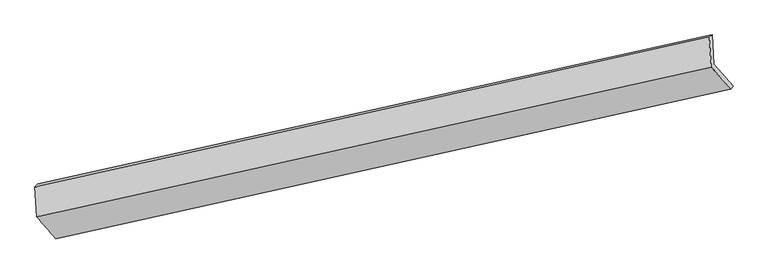
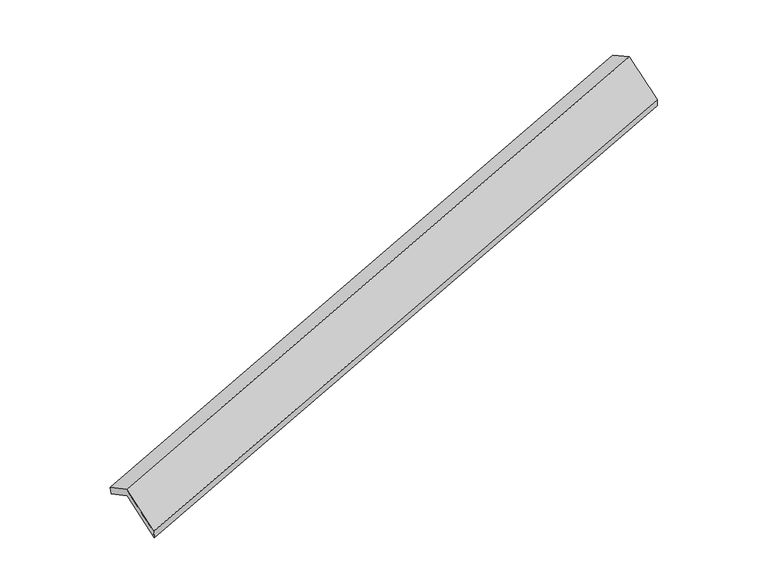
"""IFC4 building model written with IfcOpenShell, lengths in millimetres: proxy geometry."""

from ifc_helpers import new_model, si_unit, frame, origin, place, context, project, spatial, source, transform, mapped, element, save
from ifc_brep_helpers import plane_surface, spline_surface, advanced_brep


def generic_models_4485b027(model_context):
    return source(origin(), model_context, "Body", "AdvancedBrep", [
        advanced_brep(
        [(-7532.9796645, -2546.9027626, 709.9990895), (-7558.5713553, -2139.2339471, 501.4299983), (1666.0391537, -95.0097105, 3347.1114696), (1691.0728527, -493.7898644, 3551.1329967), (-7595.1323153, -2180.0101576, 649.3142042), (1627.7840062, -118.1367728, 3485.7209629), (-7569.5406245, -2587.6789731, 857.8832954), (1653.9336888, -534.69425, 3698.8376183), (-7312.0967112, -2888.9161433, 237.4969064), (1919.600753, -840.5582945, 3068.3985568), (-7275.5357512, -2848.1399328, 89.6127005), (1953.1948055, -795.5724016, 2929.1066329)],
        [
            (0, 1),
            (1, 2),
            (2, 3),
            (3, 0),
            (1, 4),
            (4, 5),
            (5, 2),
            (4, 6),
            (6, 7),
            (7, 5),
            (6, 8),
            (8, 9),
            (9, 7),
            (8, 10),
            (10, 11),
            (11, 9),
            (10, 0),
            (3, 11),
        ],
        [
            plane_surface(frame((-7545.7755099, -2343.0683548, 605.7145439), z_axis=(0.3505455672783525, -0.40903073575310234, -0.842503212142704), x_axis=(-0.055799185864261615, 0.8888661633711655, -0.454756412237046))),
            spline_surface(1, 1, [[(-7558.5713553, -2139.2339471, 501.4299983), (1666.0391537, -95.0097105, 3347.1114696)], [(-7595.1323153, -2180.0101576, 649.3142042), (1627.7840062, -118.1367728, 3485.7209629)]], [2, 2], [2, 2], [0.0, 1.0], [0.0, 1.0]),
            plane_surface(frame((-7582.3364699, -2383.8445654, 753.5987498), z_axis=(-0.3505454686421064, 0.40903075753217893, 0.8425032426092721), x_axis=(0.05579918586430003, -0.8888661633711596, 0.4547564122370529))),
            spline_surface(1, 1, [[(-7569.5406245, -2587.6789731, 857.8832954), (1653.9336888, -534.69425, 3698.8376183)], [(-7312.0967112, -2888.9161433, 237.4969064), (1919.600753, -840.5582945, 3068.3985568)]], [2, 2], [2, 2], [0.0, 1.0], [0.0, 1.0]),
            spline_surface(1, 1, [[(-7312.0967112, -2888.9161433, 237.4969064), (1919.600753, -840.5582945, 3068.3985568)], [(-7275.5357512, -2848.1399328, 89.6127005), (1953.1948055, -795.5724016, 2929.1066329)]], [2, 2], [2, 2], [0.0, 1.0], [0.0, 1.0]),
            spline_surface(1, 1, [[(-7275.5357512, -2848.1399328, 89.6127005), (1953.1948055, -795.5724016, 2929.1066329)], [(-7532.9796645, -2546.9027626, 709.9990895), (1691.0728527, -493.7898644, 3551.1329967)]], [2, 2], [2, 2], [0.0, 1.0], [0.0, 1.0]),
            plane_surface(frame((1751.9375433, -479.6268823, 3346.7180396), z_axis=(0.9333853993748755, 0.20815838139135928, 0.292338475897945), x_axis=(0.22368944694683476, 0.29954318642735056, -0.9274895744910391))),
            plane_surface(frame((-7473.9760703, -2531.8136527, 507.6226991), z_axis=(-0.935190367940375, -0.20606345731958423, -0.2880222687033872), x_axis=(0.3497219274916535, -0.40921240837876616, -0.8427572475276451))),
        ],
        [
            (0, [[1, 2, 3, 4]]),
            (1, [[5, 6, 7, -2]]),
            (2, [[8, 9, 10, -6]]),
            (3, [[11, 12, 13, -9]]),
            (4, [[14, 15, 16, -12]]),
            (5, [[17, -4, 18, -15]]),
            (6, [[-16, -18, -3, -7, -10, -13]]),
            (7, [[-17, -14, -11, -8, -5, -1]]),
        ],
    ),
    ])


if __name__ == "__main__":
    model = new_model("IFC4")
    model_context = context("Model", 3, world=origin())
    ifc_project = project(units=[si_unit("LENGTHUNIT", "METRE", prefix="MILLI")], contexts=[model_context])
    site = spatial("IfcSite", under=ifc_project)
    building = spatial("IfcBuilding", under=site)
    placement = place(None, origin())
    generic_models_shape = generic_models_4485b027(model_context)
    element("IfcBuildingElementProxy", 1, Name="Generic Models", at=placement, inside=building, context=model_context, shape_type="MappedRepresentation", body=[
        mapped(generic_models_shape, transform((0.0, 0.0, 0.0), x_axis=(1.0, 0.0, 0.0), y_axis=(0.0, 1.0, 0.0), z_axis=(0.0, 0.0, 1.0))),
    ])
    save(model, "model.ifc")
